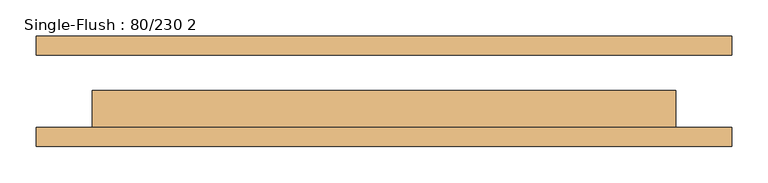
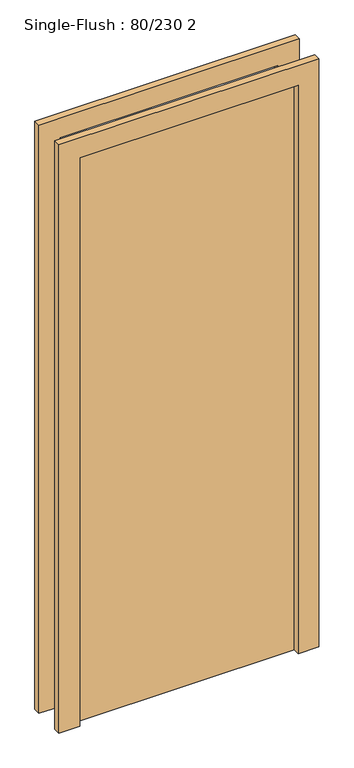
"""IFC4 building model written with IfcOpenShell, lengths in millimetres: door geometry, Single-Flush : 80/230 2."""

from ifc_helpers import new_model, si_unit, frame, origin, origin_with_axes, place, context, project, spatial, polyline, outline, extrude, source, transform, mapped, element, save


def single_flush_80_230_2_cf6013de(model_context):
    return source(origin(), model_context, "Body", "SweptSolid", [
        extrude(outline(polyline([(2276.2, -476.2), (0.0, -476.2), (0.0, -400.0), (2200.0, -400.0), (2200.0, 400.0), (0.0, 400.0), (0.0, 476.2), (2276.2, 476.2), (2276.2, -476.2)])), frame((0.0, -75.4, 0.0), z_axis=(0.0, 1.0, 0.0), x_axis=(0.0, 0.0, 1.0)), (0.0, 0.0, 1.0), 25.4),
        extrude(outline(polyline([(2276.2, 476.2), (2276.2, -476.2), (0.0, -476.2), (0.0, -400.0), (2200.0, -400.0), (2200.0, 400.0), (0.0, 400.0), (0.0, 476.2), (2276.2, 476.2)])), frame((0.0, 50.0, 0.0), z_axis=(0.0, 1.0, 0.0), x_axis=(0.0, 0.0, 1.0)), (0.0, 0.0, 1.0), 25.4),
        extrude(outline(polyline([(400.0, 0.8), (400.0, -50.0), (-400.0, -50.0), (-400.0, 0.8), (400.0, 0.8)])), origin_with_axes(), (0.0, 0.0, 1.0), 2200.0),
    ])


if __name__ == "__main__":
    model = new_model("IFC4")
    model_context = context("Model", 3, world=origin())
    ifc_project = project(units=[si_unit("LENGTHUNIT", "METRE", prefix="MILLI")], contexts=[model_context])
    site = spatial("IfcSite", under=ifc_project)
    building = spatial("IfcBuilding", under=site)
    placement = place(None, origin())
    single_flush_80_230_2_shape = single_flush_80_230_2_cf6013de(model_context)
    element("IfcDoor", 1, ObjectType="Single-Flush : 80/230 2", at=placement, inside=building, context=model_context, shape_type="MappedRepresentation", body=[
        mapped(single_flush_80_230_2_shape, transform((0.0, 0.0, 0.0), x_axis=(1.0, 0.0, 0.0), y_axis=(0.0, 1.0, 0.0), z_axis=(0.0, 0.0, 1.0))),
    ])
    save(model, "model.ifc")
